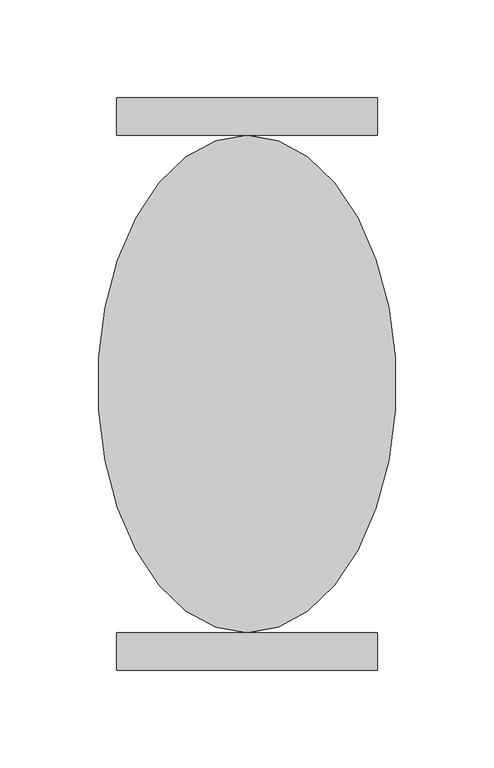
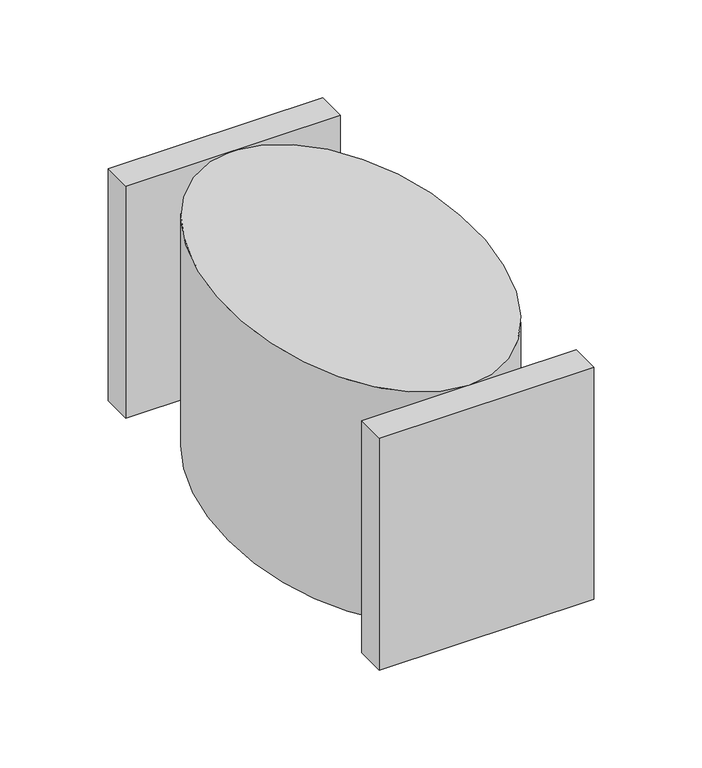
"""IFC4 building model written with IfcOpenShell, lengths in millimetres: proxy geometry."""

from ifc_helpers import new_model, si_unit, point, frame, origin, place, context, project, spatial, polyline, ellipse_curve, trimmed, outline, extrude, source, transform, mapped, element, save
from ifc_brep_helpers import plane_surface, extruded_surface, advanced_brep


def mechanical_equipment_e283b8a7(model_context):
    return source(origin(), model_context, "Body", "SolidModel", [
        extrude(outline(polyline([(996179.0968911, 358592.1814206), (996179.0968911, 358573.1314206), (996045.7468911, 358573.1314206), (996045.7468911, 358592.1814206), (996179.0968911, 358592.1814206)])), frame((0.0, 0.0, -2209.8), z_axis=(0.0, 0.0, 1.0), x_axis=(1.0, 0.0, 0.0)), (0.0, 0.0, 1.0), 152.4),
        extrude(outline(polyline([(996179.0968911, 358865.2314206), (996179.0968911, 358846.1814206), (996045.7468911, 358846.1814206), (996045.7468911, 358865.2314206), (996179.0968911, 358865.2314206)])), frame((0.0, 0.0, -2209.8), z_axis=(0.0, 0.0, 1.0), x_axis=(1.0, 0.0, 0.0)), (0.0, 0.0, 1.0), 152.4),
        advanced_brep(
        [(996112.4218911, 358592.1814206, -2057.4), (996112.4218911, 358846.1814206, -2057.4), (996112.4218911, 358592.1814206, -2209.8), (996112.4218911, 358846.1814206, -2209.8)],
        [
            (0, 1, ellipse_curve(frame((996112.4218911, 358719.1814206, -2057.4), z_axis=(0.0, 0.0, 1.0), x_axis=(0.0, 1.0, 0.0)), 127.0, 76.2)),
            (1, 0, ellipse_curve(frame((996112.4218911, 358719.1814206, -2057.4), z_axis=(0.0, 0.0, 1.0), x_axis=(0.0, 1.0, 0.0)), 127.0, 76.2)),
            (2, 3, ellipse_curve(frame((996112.4218911, 358719.1814206, -2209.8), z_axis=(0.0, 0.0, -1.0), x_axis=(0.0, 1.0, 0.0)), 127.0, 76.2)),
            (3, 2, ellipse_curve(frame((996112.4218911, 358719.1814206, -2209.8), z_axis=(0.0, 0.0, -1.0), x_axis=(0.0, 1.0, 0.0)), 127.0, 76.2)),
            (0, 2),
            (3, 1),
        ],
        [
            plane_surface(frame((996112.4218911, 358846.1814206, -2057.4), z_axis=(0.0, 0.0, 1.0), x_axis=(-1.0, 0.0, 0.0))),
            plane_surface(frame((996112.4218911, 358846.1814206, -2209.8), z_axis=(0.0, 0.0, -1.0), x_axis=(1.0, 0.0, 0.0))),
            extruded_surface(trimmed(ellipse_curve(frame((996112.4218911, 358719.1814206, -2362.2), z_axis=(0.0, 0.0, 1.0), x_axis=(0.0, 1.0, 0.0)), 127.0, 76.2), [point((996112.4218911, 358592.1814206, -2362.2))], [point((996112.4218911, 358846.1814206, -2362.2))], True, "CARTESIAN"), (0.0, 0.0, 152.39999999999964), 152.39999999999964),
            extruded_surface(trimmed(ellipse_curve(frame((996112.4218911, 358719.1814206, -2362.2), z_axis=(0.0, 0.0, 1.0), x_axis=(0.0, 1.0, 0.0)), 127.0, 76.2), [point((996112.4218911, 358846.1814206, -2362.2))], [point((996112.4218911, 358592.1814206, -2362.2))], True, "CARTESIAN"), (0.0, 0.0, 152.39999999999964), 152.39999999999964),
        ],
        [
            (0, [[1, 2]]),
            (1, [[3, 4]]),
            (2, [[-1, 5, -4, 6]]),
            (3, [[-2, -6, -3, -5]]),
        ],
    ),
    ])


if __name__ == "__main__":
    model = new_model("IFC4")
    model_context = context("Model", 3, world=origin())
    ifc_project = project(units=[si_unit("LENGTHUNIT", "METRE", prefix="MILLI")], contexts=[model_context])
    site = spatial("IfcSite", under=ifc_project)
    building = spatial("IfcBuilding", under=site)
    placement = place(None, origin())
    mechanical_equipment_shape = mechanical_equipment_e283b8a7(model_context)
    element("IfcBuildingElementProxy", 1, Name="Mechanical Equipment", at=placement, inside=building, context=model_context, shape_type="MappedRepresentation", body=[
        mapped(mechanical_equipment_shape, transform((0.0, 0.0, 0.0), x_axis=(1.0, 0.0, 0.0), y_axis=(0.0, 1.0, 0.0), z_axis=(0.0, 0.0, 1.0))),
    ])
    save(model, "model.ifc")
